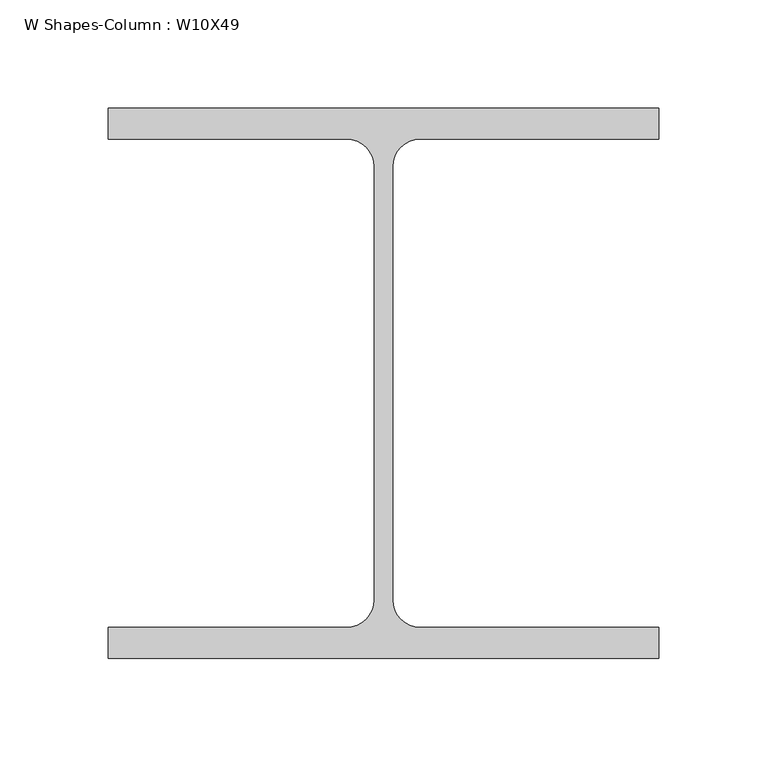
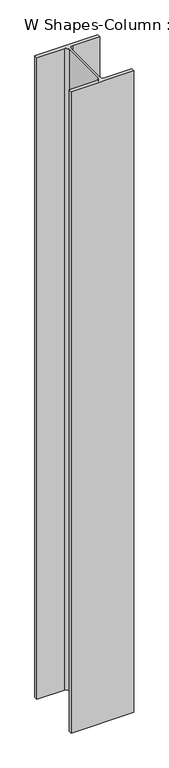
"""IFC4 building model written with IfcOpenShell, lengths in millimetres: column geometry, W Shapes-Column : W10X49."""

from ifc_helpers import new_model, si_unit, point, frame, frame_2d, origin, place, context, project, spatial, polyline, circle_curve, trimmed, segment, composite_curve, outline, extrude, source, transform, mapped, element, save


def w_shapes_column_w10x49_4c9e08ef(model_context):
    return source(origin(), model_context, "Body", "SweptSolid", [
        extrude(outline(composite_curve([segment(polyline([(127.0, 127.0), (127.0, 112.776), (17.018, 112.776)]), True, "CONTINUOUS"), segment(trimmed(circle_curve(frame_2d((17.018, 100.076)), 12.7), [point((17.018, 112.776))], [point((4.318, 100.076))], True, "CARTESIAN"), True, "CONTINUOUS"), segment(polyline([(4.318, 100.076), (4.318, -100.076)]), True, "CONTINUOUS"), segment(trimmed(circle_curve(frame_2d((17.018, -100.076)), 12.7), [point((4.318, -100.076))], [point((17.018, -112.776))], True, "CARTESIAN"), True, "CONTINUOUS"), segment(polyline([(17.018, -112.776), (127.0, -112.776), (127.0, -127.0), (-127.0, -127.0), (-127.0, -112.776), (-17.018, -112.776)]), True, "CONTINUOUS"), segment(trimmed(circle_curve(frame_2d((-17.018, -100.076)), 12.7), [point((-17.018, -112.776))], [point((-4.318, -100.076))], True, "CARTESIAN"), True, "CONTINUOUS"), segment(polyline([(-4.318, -100.076), (-4.318, 100.076)]), True, "CONTINUOUS"), segment(trimmed(circle_curve(frame_2d((-17.018, 100.076)), 12.7), [point((-4.318, 100.076))], [point((-17.018, 112.776))], True, "CARTESIAN"), True, "CONTINUOUS"), segment(polyline([(-17.018, 112.776), (-127.0, 112.776), (-127.0, 127.0), (127.0, 127.0)]), True, "CONTINUOUS")], self_intersect=False)), frame((0.0, 0.0, -2743.2), z_axis=(0.0, 0.0, 1.0), x_axis=(1.0, 0.0, 0.0)), (0.0, 0.0, 1.0), 2743.2),
    ])


if __name__ == "__main__":
    model = new_model("IFC4")
    model_context = context("Model", 3, world=origin())
    ifc_project = project(units=[si_unit("LENGTHUNIT", "METRE", prefix="MILLI")], contexts=[model_context])
    site = spatial("IfcSite", under=ifc_project)
    building = spatial("IfcBuilding", under=site)
    placement = place(None, origin())
    w_shapes_column_w10x49_shape = w_shapes_column_w10x49_4c9e08ef(model_context)
    element("IfcColumn", 1, ObjectType="W Shapes-Column : W10X49", at=placement, inside=building, context=model_context, shape_type="MappedRepresentation", body=[
        mapped(w_shapes_column_w10x49_shape, transform((0.0, 0.0, 0.0), x_axis=(1.0, 0.0, 0.0), y_axis=(0.0, 1.0, 0.0), z_axis=(0.0, 0.0, 1.0))),
    ])
    save(model, "model.ifc")
